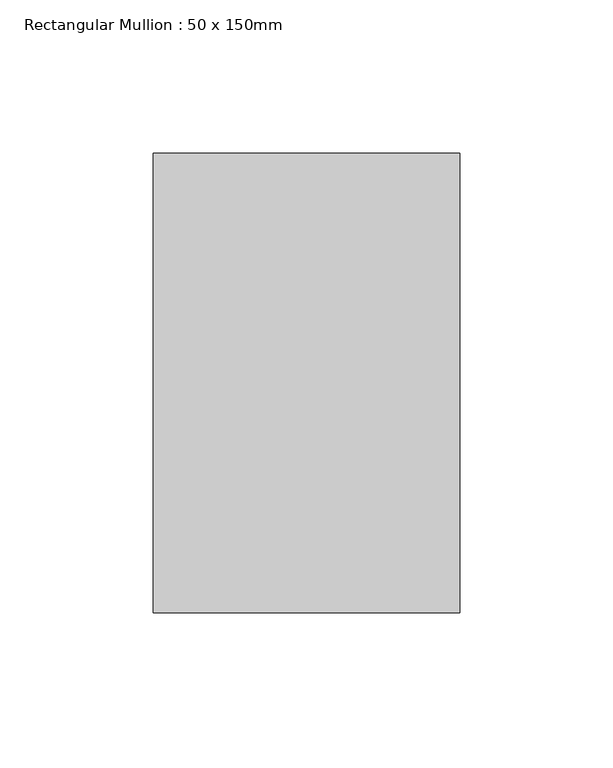
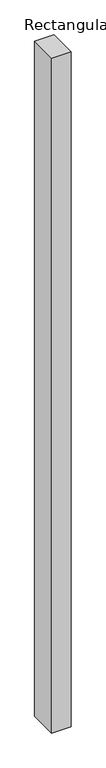
"""IFC4 building model written with IfcOpenShell, lengths in millimetres: member geometry, Rectangular Mullion : 50 x 150mm."""

from ifc_helpers import new_model, si_unit, frame, origin, place, context, project, spatial, polyline, outline, extrude, source, transform, mapped, element, save


def rectangular_mullion_50_x_150mm_19f605ae(model_context):
    return source(origin(), model_context, "Body", "SweptSolid", [
        extrude(outline(polyline([(50.0, 75.0), (50.0, -75.0), (-50.0, -75.0), (-50.0, 75.0), (50.0, 75.0)])), frame((0.0, 0.0, -3654.1784191), z_axis=(0.0, 0.0, 1.0), x_axis=(1.0, 0.0, 0.0)), (0.0, 0.0, 1.0), 3654.1784191),
    ])


if __name__ == "__main__":
    model = new_model("IFC4")
    model_context = context("Model", 3, world=origin())
    ifc_project = project(units=[si_unit("LENGTHUNIT", "METRE", prefix="MILLI")], contexts=[model_context])
    site = spatial("IfcSite", under=ifc_project)
    building = spatial("IfcBuilding", under=site)
    placement = place(None, origin())
    rectangular_mullion_50_x_150mm_shape = rectangular_mullion_50_x_150mm_19f605ae(model_context)
    element("IfcMember", 1, ObjectType="Rectangular Mullion : 50 x 150mm", at=placement, inside=building, context=model_context, shape_type="MappedRepresentation", body=[
        mapped(rectangular_mullion_50_x_150mm_shape, transform((0.0, 0.0, 0.0), x_axis=(1.0, 0.0, 0.0), y_axis=(0.0, 1.0, 0.0), z_axis=(0.0, 0.0, 1.0))),
    ])
    save(model, "model.ifc")
